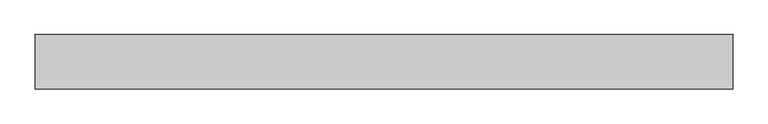
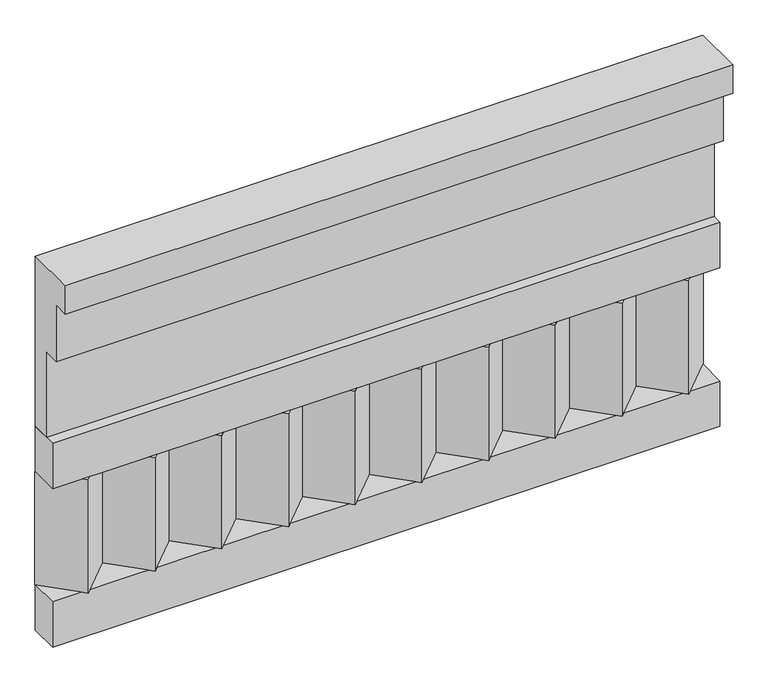
"""IFC4 building model written with IfcOpenShell, lengths in millimetres: railing geometry."""

from ifc_helpers import new_model, si_unit, frame, origin, place, context, project, spatial, polyline, outline, extrude, source, transform, mapped, element, save


def railing_aff13296(model_context):
    return source(origin(), model_context, "Body", "SweptSolid", [
        extrude(outline(polyline([(-16816.8920513, 21230.0), (-16816.8920513, 20780.0), (-16866.8920513, 20780.0), (-16866.8920513, 21005.0), (-16906.8920513, 21005.0), (-16906.8920513, 21155.0), (-16946.8920513, 21155.0), (-16946.8920513, 21230.0), (-16816.8920513, 21230.0)])), frame((-5539.9887159, 0.0, 0.0), z_axis=(1.0, 0.0, 0.0), x_axis=(0.0, 1.0, 0.0)), (0.0, 0.0, 1.0), 1670.0),
        extrude(outline(polyline([(-5539.9887159, -16891.8920513), (-5539.9887159, -16816.8920513), (-3869.9887159, -16816.8920513), (-3869.9887159, -16891.8920513), (-5539.9887159, -16891.8920513)])), frame((0.0, 0.0, 20660.0), z_axis=(0.0, 0.0, 1.0), x_axis=(1.0, 0.0, 0.0)), (0.0, 0.0, 1.0), 120.0),
        extrude(outline(polyline([(-5539.9887159, -16891.8920513), (-5539.9887159, -16816.8920513), (-3869.9887159, -16816.8920513), (-3869.9887159, -16891.8920513), (-5539.9887159, -16891.8920513)])), frame((0.0, 0.0, 20240.0), z_axis=(0.0, 0.0, 1.0), x_axis=(1.0, 0.0, 0.0)), (0.0, 0.0, 1.0), 120.0),
        extrude(outline(polyline([(-3953.4887159, -16901.7448651), (-4038.3415296, -16816.8920513), (-3868.6359022, -16816.8920513), (-3953.4887159, -16901.7448651)])), frame((0.0, 0.0, 20360.0), z_axis=(0.0, 0.0, 1.0), x_axis=(1.0, 0.0, 0.0)), (0.0, 0.0, 1.0), 300.0),
        extrude(outline(polyline([(-4120.4887159, -16901.7448651), (-4205.3415296, -16816.8920513), (-4035.6359022, -16816.8920513), (-4120.4887159, -16901.7448651)])), frame((0.0, 0.0, 20360.0), z_axis=(0.0, 0.0, 1.0), x_axis=(1.0, 0.0, 0.0)), (0.0, 0.0, 1.0), 300.0),
        extrude(outline(polyline([(-4287.4887159, -16901.7448651), (-4372.3415296, -16816.8920513), (-4202.6359022, -16816.8920513), (-4287.4887159, -16901.7448651)])), frame((0.0, 0.0, 20360.0), z_axis=(0.0, 0.0, 1.0), x_axis=(1.0, 0.0, 0.0)), (0.0, 0.0, 1.0), 300.0),
        extrude(outline(polyline([(-4454.4887159, -16901.7448651), (-4539.3415296, -16816.8920513), (-4369.6359022, -16816.8920513), (-4454.4887159, -16901.7448651)])), frame((0.0, 0.0, 20360.0), z_axis=(0.0, 0.0, 1.0), x_axis=(1.0, 0.0, 0.0)), (0.0, 0.0, 1.0), 300.0),
        extrude(outline(polyline([(-4621.4887159, -16901.7448651), (-4706.3415296, -16816.8920513), (-4536.6359022, -16816.8920513), (-4621.4887159, -16901.7448651)])), frame((0.0, 0.0, 20360.0), z_axis=(0.0, 0.0, 1.0), x_axis=(1.0, 0.0, 0.0)), (0.0, 0.0, 1.0), 300.0),
        extrude(outline(polyline([(-4788.4887159, -16901.7448651), (-4873.3415296, -16816.8920513), (-4703.6359022, -16816.8920513), (-4788.4887159, -16901.7448651)])), frame((0.0, 0.0, 20360.0), z_axis=(0.0, 0.0, 1.0), x_axis=(1.0, 0.0, 0.0)), (0.0, 0.0, 1.0), 300.0),
        extrude(outline(polyline([(-4955.4887159, -16901.7448651), (-5040.3415296, -16816.8920513), (-4870.6359022, -16816.8920513), (-4955.4887159, -16901.7448651)])), frame((0.0, 0.0, 20360.0), z_axis=(0.0, 0.0, 1.0), x_axis=(1.0, 0.0, 0.0)), (0.0, 0.0, 1.0), 300.0),
        extrude(outline(polyline([(-5122.4887159, -16901.7448651), (-5207.3415296, -16816.8920513), (-5037.6359022, -16816.8920513), (-5122.4887159, -16901.7448651)])), frame((0.0, 0.0, 20360.0), z_axis=(0.0, 0.0, 1.0), x_axis=(1.0, 0.0, 0.0)), (0.0, 0.0, 1.0), 300.0),
        extrude(outline(polyline([(-5289.4887159, -16901.7448651), (-5374.3415296, -16816.8920513), (-5204.6359022, -16816.8920513), (-5289.4887159, -16901.7448651)])), frame((0.0, 0.0, 20360.0), z_axis=(0.0, 0.0, 1.0), x_axis=(1.0, 0.0, 0.0)), (0.0, 0.0, 1.0), 300.0),
        extrude(outline(polyline([(-5456.4887159, -16901.7448651), (-5541.3415296, -16816.8920513), (-5371.6359022, -16816.8920513), (-5456.4887159, -16901.7448651)])), frame((0.0, 0.0, 20360.0), z_axis=(0.0, 0.0, 1.0), x_axis=(1.0, 0.0, 0.0)), (0.0, 0.0, 1.0), 300.0),
    ])


if __name__ == "__main__":
    model = new_model("IFC4")
    model_context = context("Model", 3, world=origin())
    ifc_project = project(units=[si_unit("LENGTHUNIT", "METRE", prefix="MILLI")], contexts=[model_context])
    site = spatial("IfcSite", under=ifc_project)
    building = spatial("IfcBuilding", under=site)
    placement = place(None, origin())
    railing_shape = railing_aff13296(model_context)
    element("IfcRailing", 1, at=placement, inside=building, context=model_context, shape_type="MappedRepresentation", body=[
        mapped(railing_shape, transform((0.0, 0.0, 0.0), x_axis=(1.0, 0.0, 0.0), y_axis=(0.0, 1.0, 0.0), z_axis=(0.0, 0.0, 1.0))),
    ])
    save(model, "model.ifc")
